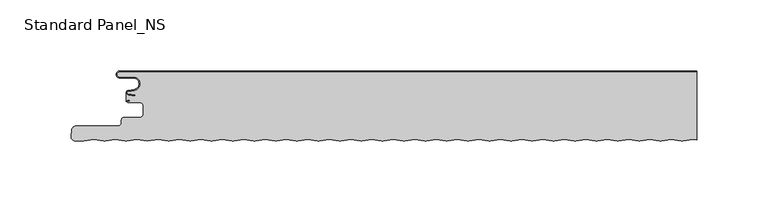
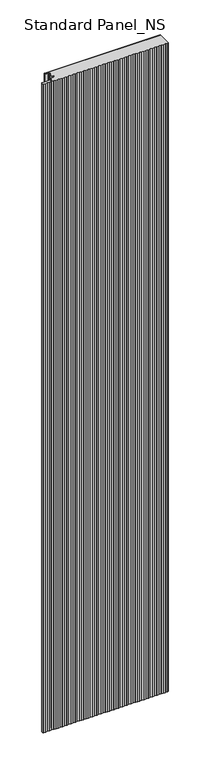
"""IFC4 building model written with IfcOpenShell, lengths in millimetres: proxy geometry, Standard Panel_NS."""

from ifc_helpers import new_model, si_unit, point, frame, frame_2d, origin, origin_with_axes, place, context, project, spatial, polyline, circle_curve, trimmed, segment, composite_curve, outline, extrude, source, transform, mapped, element, save
from ifc_brep_helpers import plane_surface, cylinder_surface, revolved_surface, advanced_brep


def standard_panel_ns_7dc18669(model_context):
    return source(origin(), model_context, "Body", "SolidModel", [
        advanced_brep(
        [(200.9757266, -48.2307297, 2400.0), (203.9042607, -48.621201, 2400.0), (203.9042607, -0.8, 2400.0), (-201.4521486, -0.8, 2400.0), (-201.4521486, -4.2, 2400.0), (-191.9521486, -4.2, 2400.0), (-191.1186374, -13.7270772, 2400.0), (-195.4434036, -14.4896502, 2400.0), (-195.4169535, -16.0695512, 2400.0), (-190.4928263, -16.7687564, 2400.0), (-190.6052947, -17.5608112, 2400.0), (-195.529422, -16.8616061, 2400.0), (-196.9042607, -15.3042944, 2400.0), (-196.9042057, -21.327315, 2400.0), (-195.7650669, -20.5050506, 2400.0), (-194.3950677, -20.5050506, 2400.0), (-194.3950677, -21.3050506, 2400.0), (-195.7650669, -21.3050506, 2400.0), (-195.7650669, -22.1054413, 2400.0), (-188.0058392, -22.1054413, 2400.0), (-184.8560353, -25.2552452, 2400.0), (-184.8560353, -29.6552467, 2400.0), (-188.0058392, -32.8050506, 2400.0), (-198.67533, -32.8050506, 2400.0), (-200.2755261, -34.4052467, 2400.0), (-200.2755261, -36.4052467, 2400.0), (-202.67533, -38.8050506, 2400.0), (-232.3045986, -38.8050506, 2400.0), (-235.1937635, -41.4524611, 2400.0), (-235.6090836, -46.199151, 2400.0), (-232.8591806, -49.2001678, 2400.0), (-226.8685673, -49.2001678, 2400.0), (-219.5977818, -48.2307297, 2400.0), (-212.564124, -49.1685508, 2400.0), (-211.6109571, -49.1685508, 2400.0), (-204.5772994, -48.2307297, 2400.0), (-197.5436416, -49.1685508, 2400.0), (-196.5904747, -49.1685508, 2400.0), (-189.5568169, -48.2307297, 2400.0), (-182.0465757, -49.2320952, 2400.0), (-174.5363345, -48.2307297, 2400.0), (-167.5026767, -49.1685508, 2400.0), (-166.5495098, -49.1685508, 2400.0), (-159.515852, -48.2307297, 2400.0), (-152.4821943, -49.1685508, 2400.0), (-151.5290274, -49.1685508, 2400.0), (-144.4953696, -48.2307297, 2400.0), (-137.4617118, -49.1685508, 2400.0), (-136.5085449, -49.1685508, 2400.0), (-129.4748871, -48.2307297, 2400.0), (-122.4412294, -49.1685508, 2400.0), (-121.4880625, -49.1685508, 2400.0), (-114.4544047, -48.2307297, 2400.0), (-107.4207469, -49.1685508, 2400.0), (-106.46758, -49.1685508, 2400.0), (-99.4339222, -48.2307297, 2400.0), (-92.4002645, -49.1685508, 2400.0), (-91.4470976, -49.1685508, 2400.0), (-84.4134398, -48.2307297, 2400.0), (-77.379782, -49.1685508, 2400.0), (-76.4266151, -49.1685508, 2400.0), (-69.3929573, -48.2307297, 2400.0), (-62.3592996, -49.1685508, 2400.0), (-61.4061327, -49.1685508, 2400.0), (-54.3724749, -48.2307297, 2400.0), (-47.3388172, -49.1685508, 2400.0), (-46.3856502, -49.1685508, 2400.0), (-39.3519925, -48.2307297, 2400.0), (-32.3183347, -49.1685508, 2400.0), (-31.3651678, -49.1685508, 2400.0), (-24.33151, -48.2307297, 2400.0), (-17.2978523, -49.1685508, 2400.0), (-16.3446854, -49.1685508, 2400.0), (-9.3110276, -48.2307297, 2400.0), (-2.2773698, -49.1685508, 2400.0), (-1.3242029, -49.1685508, 2400.0), (5.7094549, -48.2307297, 2400.0), (12.7431126, -49.1685508, 2400.0), (13.6962795, -49.1685508, 2400.0), (20.7299373, -48.2307297, 2400.0), (27.7635951, -49.1685508, 2400.0), (28.716762, -49.1685508, 2400.0), (35.7504198, -48.2307297, 2400.0), (42.7840775, -49.1685508, 2400.0), (43.7372444, -49.1685508, 2400.0), (50.7709022, -48.2307297, 2400.0), (57.80456, -49.1685508, 2400.0), (58.7577269, -49.1685508, 2400.0), (65.7913846, -48.2307297, 2400.0), (72.8250424, -49.1685508, 2400.0), (73.7782093, -49.1685508, 2400.0), (80.8118671, -48.2307297, 2400.0), (87.8455248, -49.1685508, 2400.0), (88.7986918, -49.1685508, 2400.0), (95.8323495, -48.2307297, 2400.0), (102.8660073, -49.1685508, 2400.0), (103.8191742, -49.1685508, 2400.0), (110.852832, -48.2307297, 2400.0), (117.8864897, -49.1685508, 2400.0), (118.8396566, -49.1685508, 2400.0), (125.8733144, -48.2307297, 2400.0), (132.9069722, -49.1685508, 2400.0), (133.8601391, -49.1685508, 2400.0), (140.8937969, -48.2307297, 2400.0), (147.9274546, -49.1685508, 2400.0), (148.8806215, -49.1685508, 2400.0), (155.9142793, -48.2307297, 2400.0), (162.9479371, -49.1685508, 2400.0), (163.901104, -49.1685508, 2400.0), (170.9347618, -48.2307297, 2400.0), (177.9684195, -49.1685508, 2400.0), (178.9215864, -49.1685508, 2400.0), (185.9552442, -48.2307297, 2400.0), (192.9889019, -49.1685508, 2400.0), (193.9420689, -49.1685508, 2400.0), (-196.9042057, -21.327315, 0.0), (-196.9042607, -15.3042944, 0.0), (-195.529422, -16.8616061, 0.0), (-190.6052947, -17.5608112, 0.0), (-190.4928263, -16.7687564, 0.0), (-195.4169535, -16.0695512, 0.0), (-195.4434036, -14.4896502, 0.0), (-191.1186374, -13.7270772, 0.0), (-191.9521486, -4.2, 0.0), (-201.4521486, -4.2, 0.0), (-201.4521486, -0.8, 0.0), (203.9042607, -0.8, 0.0), (203.9042607, -48.621201, 0.0), (200.9757266, -48.2307297, 0.0), (193.9420689, -49.1685508, 0.0), (192.9889019, -49.1685508, 0.0), (185.9552442, -48.2307297, 0.0), (178.9215864, -49.1685508, 0.0), (177.9684195, -49.1685508, 0.0), (170.9347618, -48.2307297, 0.0), (163.901104, -49.1685508, 0.0), (162.9479371, -49.1685508, 0.0), (155.9142793, -48.2307297, 0.0), (148.8806215, -49.1685508, 0.0), (147.9274546, -49.1685508, 0.0), (140.8937969, -48.2307297, 0.0), (133.8601391, -49.1685508, 0.0), (132.9069722, -49.1685508, 0.0), (125.8733144, -48.2307297, 0.0), (118.8396566, -49.1685508, 0.0), (117.8864897, -49.1685508, 0.0), (110.852832, -48.2307297, 0.0), (103.8191742, -49.1685508, 0.0), (102.8660073, -49.1685508, 0.0), (95.8323495, -48.2307297, 0.0), (88.7986918, -49.1685508, 0.0), (87.8455248, -49.1685508, 0.0), (80.8118671, -48.2307297, 0.0), (73.7782093, -49.1685508, 0.0), (72.8250424, -49.1685508, 0.0), (65.7913846, -48.2307297, 0.0), (58.7577269, -49.1685508, 0.0), (57.80456, -49.1685508, 0.0), (50.7709022, -48.2307297, 0.0), (43.7372444, -49.1685508, 0.0), (42.7840775, -49.1685508, 0.0), (35.7504198, -48.2307297, 0.0), (28.716762, -49.1685508, 0.0), (27.7635951, -49.1685508, 0.0), (20.7299373, -48.2307297, 0.0), (13.6962795, -49.1685508, 0.0), (12.7431126, -49.1685508, 0.0), (5.7094549, -48.2307297, 0.0), (-1.3242029, -49.1685508, 0.0), (-2.2773698, -49.1685508, 0.0), (-9.3110276, -48.2307297, 0.0), (-16.3446854, -49.1685508, 0.0), (-17.2978523, -49.1685508, 0.0), (-24.33151, -48.2307297, 0.0), (-31.3651678, -49.1685508, 0.0), (-32.3183347, -49.1685508, 0.0), (-39.3519925, -48.2307297, 0.0), (-46.3856502, -49.1685508, 0.0), (-47.3388172, -49.1685508, 0.0), (-54.3724749, -48.2307297, 0.0), (-61.4061327, -49.1685508, 0.0), (-62.3592996, -49.1685508, 0.0), (-69.3929573, -48.2307297, 0.0), (-76.4266151, -49.1685508, 0.0), (-77.379782, -49.1685508, 0.0), (-84.4134398, -48.2307297, 0.0), (-91.4470976, -49.1685508, 0.0), (-92.4002645, -49.1685508, 0.0), (-99.4339222, -48.2307297, 0.0), (-106.46758, -49.1685508, 0.0), (-107.4207469, -49.1685508, 0.0), (-114.4544047, -48.2307297, 0.0), (-121.4880625, -49.1685508, 0.0), (-122.4412294, -49.1685508, 0.0), (-129.4748871, -48.2307297, 0.0), (-136.5085449, -49.1685508, 0.0), (-137.4617118, -49.1685508, 0.0), (-144.4953696, -48.2307297, 0.0), (-151.5290274, -49.1685508, 0.0), (-152.4821943, -49.1685508, 0.0), (-159.515852, -48.2307297, 0.0), (-166.5495098, -49.1685508, 0.0), (-167.5026767, -49.1685508, 0.0), (-174.5363345, -48.2307297, 0.0), (-182.0465757, -49.2320952, 0.0), (-189.5568169, -48.2307297, 0.0), (-196.5904747, -49.1685508, 0.0), (-197.5436416, -49.1685508, 0.0), (-204.5772994, -48.2307297, 0.0), (-211.6109571, -49.1685508, 0.0), (-212.564124, -49.1685508, 0.0), (-219.5977818, -48.2307297, 0.0), (-226.8685673, -49.2001678, 0.0), (-232.8591806, -49.2001678, 0.0), (-235.6090836, -46.199151, 0.0), (-235.1937635, -41.4524611, 0.0), (-232.3045986, -38.8050506, 0.0), (-202.67533, -38.8050506, 0.0), (-200.2755261, -36.4052467, 0.0), (-200.2755261, -34.4052467, 0.0), (-198.67533, -32.8050506, 0.0), (-188.0058392, -32.8050506, 0.0), (-184.8560353, -29.6552467, 0.0), (-184.8560353, -25.2552452, 0.0), (-188.0058392, -22.1054412, 0.0), (-195.7650669, -22.1054413, 0.0), (-195.7650669, -21.3050506, 0.0), (-194.3950677, -21.3050506, 0.0), (-194.3950677, -20.5050506, 0.0), (-195.7650669, -20.5050506, 0.0)],
        [
            (0, 1),
            (1, 2),
            (2, 3),
            (3, 4, circle_curve(frame((-201.4521486, -2.5, 2400.0), z_axis=(0.0, 0.0, 1.0), x_axis=(2.9071553329994335e-12, 1.0, 0.0)), 1.7)),
            (4, 5),
            (5, 6, circle_curve(frame((-191.9521486, -9.0, 2400.0), z_axis=(0.0, 0.0, -1.0), x_axis=(1.863723325530669e-12, 1.0, 0.0)), 4.8)),
            (6, 7),
            (7, 8, circle_curve(frame((-195.3044851, -15.2774964, 2400.0), z_axis=(0.0, 0.0, 1.0), x_axis=(-0.17364817766971952, 0.9848077530117163, 0.0)), 0.8)),
            (8, 9),
            (9, 10),
            (10, 11),
            (11, 12, circle_curve(frame((-195.3044851, -15.2774964, 2400.0), z_axis=(0.0, 0.0, -1.0), x_axis=(-0.17364817766971952, 0.9848077530117163, 0.0)), 1.6)),
            (12, 13),
            (13, 14, circle_curve(frame((-195.7650669, -21.7052459, 2400.0), z_axis=(0.0, 0.0, -1.0), x_axis=(0.0, 1.0, 0.0)), 1.2001953)),
            (14, 15),
            (15, 16),
            (16, 17),
            (17, 18, circle_curve(frame((-195.7650669, -21.7052459, 2400.0), z_axis=(0.0, 0.0, 1.0), x_axis=(0.0, 1.0, 0.0)), 0.4001953)),
            (18, 19),
            (19, 20, circle_curve(frame((-188.0058392, -25.2552452, 2400.0), z_axis=(0.0, 0.0, -1.0), x_axis=(-8.279395323838365e-05, 0.9999999965725807, 0.0)), 3.1498039)),
            (20, 21),
            (21, 22, circle_curve(frame((-188.0058392, -29.6552467, 2400.0), z_axis=(0.0, 0.0, -1.0), x_axis=(0.9999999965725804, -8.27939563282879e-05, 0.0)), 3.1498039)),
            (22, 23),
            (23, 24, circle_curve(frame((-198.67533, -34.4052467, 2400.0), z_axis=(0.0, 0.0, 1.0), x_axis=(-8.105569453527465e-05, 0.9999999967149873, 0.0)), 1.6001961)),
            (24, 25),
            (25, 26, circle_curve(frame((-202.67533, -36.4052467, 2400.0), z_axis=(0.0, 0.0, -1.0), x_axis=(0.9999999926057013, -0.00012160837719944603, 0.0)), 2.3998039)),
            (26, 27),
            (27, 28, circle_curve(frame((-232.3045986, -41.7052538, 2400.0), z_axis=(0.0, 0.0, 1.0), x_axis=(-5.9816804069483736e-05, 0.9999999982109751, 0.0)), 2.9002032)),
            (28, 29),
            (29, 30, circle_curve(frame((-232.8591806, -46.4397587, 2400.0), z_axis=(0.0, 0.0, 1.0), x_axis=(-0.9961854900933174, 0.08726092669423802, 0.0)), 2.7604092)),
            (30, 31),
            (31, 32),
            (32, 33),
            (33, 34, circle_curve(frame((-212.0875406, -45.5941749, 2400.0), z_axis=(0.0, 0.0, 1.0), x_axis=(-0.1321637200962343, -0.9912279006819392, 0.0)), 3.6060082)),
            (34, 35),
            (35, 36),
            (36, 37, circle_curve(frame((-197.0670581, -45.5941749, 2400.0), z_axis=(0.0, 0.0, 1.0), x_axis=(-0.13216372008395674, -0.9912279006835761, 0.0)), 3.6060082)),
            (37, 38),
            (38, 39),
            (39, 40),
            (40, 41),
            (41, 42, circle_curve(frame((-167.0260933, -45.5941749, 2400.0), z_axis=(0.0, 0.0, 1.0), x_axis=(-0.13216372069094426, -0.9912279006026445, 0.0)), 3.6060082)),
            (42, 43),
            (43, 44),
            (44, 45, circle_curve(frame((-152.0056108, -45.5941749, 2400.0), z_axis=(0.0, 0.0, 1.0), x_axis=(-0.13216372067834242, -0.9912279006043248, 0.0)), 3.6060082)),
            (45, 46),
            (46, 47),
            (47, 48, circle_curve(frame((-136.9851284, -45.5941749, 2400.0), z_axis=(0.0, 0.0, 1.0), x_axis=(-0.13216372069083632, -0.991227900602659, 0.0)), 3.6060082)),
            (48, 49),
            (49, 50),
            (50, 51, circle_curve(frame((-121.9646459, -45.5941749, 2400.0), z_axis=(0.0, 0.0, 1.0), x_axis=(-0.13216372067834242, -0.9912279006043248, 0.0)), 3.6060082)),
            (51, 52),
            (52, 53),
            (53, 54, circle_curve(frame((-106.9441635, -45.5941749, 2400.0), z_axis=(0.0, 0.0, 1.0), x_axis=(-0.13216372069083587, -0.991227900602659, 0.0)), 3.6060082)),
            (54, 55),
            (55, 56),
            (56, 57, circle_curve(frame((-91.923681, -45.5941749, 2400.0), z_axis=(0.0, 0.0, 1.0), x_axis=(-0.1321637206909443, -0.9912279006026445, 0.0)), 3.6060082)),
            (57, 58),
            (58, 59),
            (59, 60, circle_curve(frame((-76.9031986, -45.5941749, 2400.0), z_axis=(0.0, 0.0, 1.0), x_axis=(-0.13216372067834242, -0.9912279006043248, 0.0)), 3.6060082)),
            (60, 61),
            (61, 62),
            (62, 63, circle_curve(frame((-61.8827161, -45.5941749, 2400.0), z_axis=(0.0, 0.0, 1.0), x_axis=(-0.13216372067834242, -0.9912279006043248, 0.0)), 3.6060082)),
            (63, 64),
            (64, 65),
            (65, 66, circle_curve(frame((-46.8622337, -45.5941749, 2400.0), z_axis=(0.0, 0.0, 1.0), x_axis=(-0.13216372067834242, -0.9912279006043249, 0.0)), 3.6060082)),
            (66, 67),
            (67, 68),
            (68, 69, circle_curve(frame((-31.8417513, -45.5941749, 2400.0), z_axis=(0.0, 0.0, 1.0), x_axis=(-0.13216372069083587, -0.991227900602659, 0.0)), 3.6060082)),
            (69, 70),
            (70, 71),
            (71, 72, circle_curve(frame((-16.8212688, -45.5941749, 2400.0), z_axis=(0.0, 0.0, 1.0), x_axis=(-0.13216372067834242, -0.9912279006043249, 0.0)), 3.6060082)),
            (72, 73),
            (73, 74),
            (74, 75, circle_curve(frame((-1.8007864, -45.5941749, 2400.0), z_axis=(0.0, 0.0, 1.0), x_axis=(-0.13216372067834242, -0.9912279006043249, 0.0)), 3.6060082)),
            (75, 76),
            (76, 77),
            (77, 78, circle_curve(frame((13.2196961, -45.5941749, 2400.0), z_axis=(0.0, 0.0, 1.0), x_axis=(-0.13216372067834242, -0.9912279006043248, 0.0)), 3.6060082)),
            (78, 79),
            (79, 80),
            (80, 81, circle_curve(frame((28.2401785, -45.5941749, 2400.0), z_axis=(0.0, 0.0, 1.0), x_axis=(-0.13216372069083632, -0.991227900602659, 0.0)), 3.6060082)),
            (81, 82),
            (82, 83),
            (83, 84, circle_curve(frame((43.260661, -45.5941749, 2400.0), z_axis=(0.0, 0.0, 1.0), x_axis=(-0.1321637206909443, -0.9912279006026445, 0.0)), 3.6060082)),
            (84, 85),
            (85, 86),
            (86, 87, circle_curve(frame((58.2811434, -45.5941749, 2400.0), z_axis=(0.0, 0.0, 1.0), x_axis=(-0.13216372067834242, -0.9912279006043249, 0.0)), 3.6060082)),
            (87, 88),
            (88, 89),
            (89, 90, circle_curve(frame((73.3016259, -45.5941749, 2400.0), z_axis=(0.0, 0.0, 1.0), x_axis=(-0.1321637206909443, -0.9912279006026445, 0.0)), 3.6060082)),
            (90, 91),
            (91, 92),
            (92, 93, circle_curve(frame((88.3221083, -45.5941749, 2400.0), z_axis=(0.0, 0.0, 1.0), x_axis=(-0.13216372067834242, -0.9912279006043248, 0.0)), 3.6060082)),
            (93, 94),
            (94, 95),
            (95, 96, circle_curve(frame((103.3425907, -45.5941749, 2400.0), z_axis=(0.0, 0.0, 1.0), x_axis=(-0.1321637206908359, -0.991227900602659, 0.0)), 3.6060082)),
            (96, 97),
            (97, 98),
            (98, 99, circle_curve(frame((118.3630732, -45.5941749, 2400.0), z_axis=(0.0, 0.0, 1.0), x_axis=(-0.13216372069094426, -0.9912279006026445, 0.0)), 3.6060082)),
            (99, 100),
            (100, 101),
            (101, 102, circle_curve(frame((133.3835556, -45.5941749, 2400.0), z_axis=(0.0, 0.0, 1.0), x_axis=(-0.13216372067834242, -0.9912279006043248, 0.0)), 3.6060082)),
            (102, 103),
            (103, 104),
            (104, 105, circle_curve(frame((148.4040381, -45.5941749, 2400.0), z_axis=(0.0, 0.0, 1.0), x_axis=(-0.1321637206909443, -0.9912279006026445, 0.0)), 3.6060082)),
            (105, 106),
            (106, 107),
            (107, 108, circle_curve(frame((163.4245205, -45.5941749, 2400.0), z_axis=(0.0, 0.0, 1.0), x_axis=(-0.1321637206908359, -0.991227900602659, 0.0)), 3.6060082)),
            (108, 109),
            (109, 110),
            (110, 111, circle_curve(frame((178.445003, -45.5941749, 2400.0), z_axis=(0.0, 0.0, 1.0), x_axis=(-0.13216372067834242, -0.9912279006043248, 0.0)), 3.6060082)),
            (111, 112),
            (112, 113),
            (113, 114, circle_curve(frame((193.4654854, -45.5941749, 2400.0), z_axis=(0.0, 0.0, 1.0), x_axis=(-0.1321637206908363, -0.991227900602659, 0.0)), 3.6060082)),
            (114, 0),
            (115, 116),
            (116, 117, circle_curve(frame((-195.3044851, -15.2774964, 0.0), z_axis=(0.0, 0.0, 1.0), x_axis=(-0.17364817766971952, 0.9848077530117163, 0.0)), 1.6)),
            (117, 118),
            (118, 119),
            (119, 120),
            (120, 121, circle_curve(frame((-195.3044851, -15.2774964, 0.0), z_axis=(0.0, 0.0, -1.0), x_axis=(-0.17364817766971952, 0.9848077530117163, 0.0)), 0.8)),
            (121, 122),
            (122, 123, circle_curve(frame((-191.9521486, -9.0, 0.0), z_axis=(0.0, 0.0, 1.0), x_axis=(1.863723325530669e-12, 1.0, 0.0)), 4.8)),
            (123, 124),
            (124, 125, circle_curve(frame((-201.4521486, -2.5, 0.0), z_axis=(0.0, 0.0, -1.0), x_axis=(2.9071553329994335e-12, 1.0, 0.0)), 1.7)),
            (125, 126),
            (126, 127),
            (127, 128),
            (128, 129),
            (129, 130, circle_curve(frame((193.4654854, -45.5941749, 0.0), z_axis=(0.0, 0.0, -1.0), x_axis=(-0.1321637206908363, -0.991227900602659, 0.0)), 3.6060082)),
            (130, 131),
            (131, 132),
            (132, 133, circle_curve(frame((178.445003, -45.5941749, 0.0), z_axis=(0.0, 0.0, -1.0), x_axis=(-0.13216372067834242, -0.9912279006043248, 0.0)), 3.6060082)),
            (133, 134),
            (134, 135),
            (135, 136, circle_curve(frame((163.4245205, -45.5941749, 0.0), z_axis=(0.0, 0.0, -1.0), x_axis=(-0.1321637206908359, -0.991227900602659, 0.0)), 3.6060082)),
            (136, 137),
            (137, 138),
            (138, 139, circle_curve(frame((148.4040381, -45.5941749, 0.0), z_axis=(0.0, 0.0, -1.0), x_axis=(-0.1321637206909443, -0.9912279006026445, 0.0)), 3.6060082)),
            (139, 140),
            (140, 141),
            (141, 142, circle_curve(frame((133.3835556, -45.5941749, 0.0), z_axis=(0.0, 0.0, -1.0), x_axis=(-0.13216372067834242, -0.9912279006043248, 0.0)), 3.6060082)),
            (142, 143),
            (143, 144),
            (144, 145, circle_curve(frame((118.3630732, -45.5941749, 0.0), z_axis=(0.0, 0.0, -1.0), x_axis=(-0.13216372069094426, -0.9912279006026445, 0.0)), 3.6060082)),
            (145, 146),
            (146, 147),
            (147, 148, circle_curve(frame((103.3425907, -45.5941749, 0.0), z_axis=(0.0, 0.0, -1.0), x_axis=(-0.1321637206908359, -0.991227900602659, 0.0)), 3.6060082)),
            (148, 149),
            (149, 150),
            (150, 151, circle_curve(frame((88.3221083, -45.5941749, 0.0), z_axis=(0.0, 0.0, -1.0), x_axis=(-0.13216372067834242, -0.9912279006043248, 0.0)), 3.6060082)),
            (151, 152),
            (152, 153),
            (153, 154, circle_curve(frame((73.3016259, -45.5941749, 0.0), z_axis=(0.0, 0.0, -1.0), x_axis=(-0.1321637206909443, -0.9912279006026445, 0.0)), 3.6060082)),
            (154, 155),
            (155, 156),
            (156, 157, circle_curve(frame((58.2811434, -45.5941749, 0.0), z_axis=(0.0, 0.0, -1.0), x_axis=(-0.13216372067834242, -0.9912279006043249, 0.0)), 3.6060082)),
            (157, 158),
            (158, 159),
            (159, 160, circle_curve(frame((43.260661, -45.5941749, 0.0), z_axis=(0.0, 0.0, -1.0), x_axis=(-0.1321637206909443, -0.9912279006026445, 0.0)), 3.6060082)),
            (160, 161),
            (161, 162),
            (162, 163, circle_curve(frame((28.2401785, -45.5941749, 0.0), z_axis=(0.0, 0.0, -1.0), x_axis=(-0.13216372069083632, -0.991227900602659, 0.0)), 3.6060082)),
            (163, 164),
            (164, 165),
            (165, 166, circle_curve(frame((13.2196961, -45.5941749, 0.0), z_axis=(0.0, 0.0, -1.0), x_axis=(-0.13216372067834242, -0.9912279006043248, 0.0)), 3.6060082)),
            (166, 167),
            (167, 168),
            (168, 169, circle_curve(frame((-1.8007864, -45.5941749, 0.0), z_axis=(0.0, 0.0, -1.0), x_axis=(-0.13216372067834242, -0.9912279006043249, 0.0)), 3.6060082)),
            (169, 170),
            (170, 171),
            (171, 172, circle_curve(frame((-16.8212688, -45.5941749, 0.0), z_axis=(0.0, 0.0, -1.0), x_axis=(-0.13216372067834242, -0.9912279006043249, 0.0)), 3.6060082)),
            (172, 173),
            (173, 174),
            (174, 175, circle_curve(frame((-31.8417513, -45.5941749, 0.0), z_axis=(0.0, 0.0, -1.0), x_axis=(-0.13216372069083587, -0.991227900602659, 0.0)), 3.6060082)),
            (175, 176),
            (176, 177),
            (177, 178, circle_curve(frame((-46.8622337, -45.5941749, 0.0), z_axis=(0.0, 0.0, -1.0), x_axis=(-0.13216372067834242, -0.9912279006043249, 0.0)), 3.6060082)),
            (178, 179),
            (179, 180),
            (180, 181, circle_curve(frame((-61.8827161, -45.5941749, 0.0), z_axis=(0.0, 0.0, -1.0), x_axis=(-0.13216372067834242, -0.9912279006043248, 0.0)), 3.6060082)),
            (181, 182),
            (182, 183),
            (183, 184, circle_curve(frame((-76.9031986, -45.5941749, 0.0), z_axis=(0.0, 0.0, -1.0), x_axis=(-0.13216372067834242, -0.9912279006043248, 0.0)), 3.6060082)),
            (184, 185),
            (185, 186),
            (186, 187, circle_curve(frame((-91.923681, -45.5941749, 0.0), z_axis=(0.0, 0.0, -1.0), x_axis=(-0.1321637206909443, -0.9912279006026445, 0.0)), 3.6060082)),
            (187, 188),
            (188, 189),
            (189, 190, circle_curve(frame((-106.9441635, -45.5941749, 0.0), z_axis=(0.0, 0.0, -1.0), x_axis=(-0.13216372069083587, -0.991227900602659, 0.0)), 3.6060082)),
            (190, 191),
            (191, 192),
            (192, 193, circle_curve(frame((-121.9646459, -45.5941749, 0.0), z_axis=(0.0, 0.0, -1.0), x_axis=(-0.13216372067834242, -0.9912279006043248, 0.0)), 3.6060082)),
            (193, 194),
            (194, 195),
            (195, 196, circle_curve(frame((-136.9851284, -45.5941749, 0.0), z_axis=(0.0, 0.0, -1.0), x_axis=(-0.13216372069083632, -0.991227900602659, 0.0)), 3.6060082)),
            (196, 197),
            (197, 198),
            (198, 199, circle_curve(frame((-152.0056108, -45.5941749, 0.0), z_axis=(0.0, 0.0, -1.0), x_axis=(-0.13216372067834242, -0.9912279006043248, 0.0)), 3.6060082)),
            (199, 200),
            (200, 201),
            (201, 202, circle_curve(frame((-167.0260933, -45.5941749, 0.0), z_axis=(0.0, 0.0, -1.0), x_axis=(-0.13216372069094426, -0.9912279006026445, 0.0)), 3.6060082)),
            (202, 203),
            (203, 204),
            (204, 205),
            (205, 206),
            (206, 207, circle_curve(frame((-197.0670581, -45.5941749, 0.0), z_axis=(0.0, 0.0, -1.0), x_axis=(-0.13216372008395674, -0.9912279006835761, 0.0)), 3.6060082)),
            (207, 208),
            (208, 209),
            (209, 210, circle_curve(frame((-212.0875406, -45.5941749, 0.0), z_axis=(0.0, 0.0, -1.0), x_axis=(-0.1321637200962343, -0.9912279006819392, 0.0)), 3.6060082)),
            (210, 211),
            (211, 212),
            (212, 213),
            (213, 214, circle_curve(frame((-232.8591806, -46.4397587, 0.0), z_axis=(0.0, 0.0, -1.0), x_axis=(-0.9961854900933174, 0.08726092669423802, 0.0)), 2.7604092)),
            (214, 215),
            (215, 216, circle_curve(frame((-232.3045986, -41.7052538, 0.0), z_axis=(0.0, 0.0, -1.0), x_axis=(-5.9816804069483736e-05, 0.9999999982109751, 0.0)), 2.9002032)),
            (216, 217),
            (217, 218, circle_curve(frame((-202.67533, -36.4052467, 0.0), z_axis=(0.0, 0.0, 1.0), x_axis=(0.9999999926057013, -0.00012160837719944603, 0.0)), 2.3998039)),
            (218, 219),
            (219, 220, circle_curve(frame((-198.67533, -34.4052467, 0.0), z_axis=(0.0, 0.0, -1.0), x_axis=(-8.105569453527465e-05, 0.9999999967149873, 0.0)), 1.6001961)),
            (220, 221),
            (221, 222, circle_curve(frame((-188.0058392, -29.6552467, 0.0), z_axis=(0.0, 0.0, 1.0), x_axis=(0.9999999965725804, -8.27939563282879e-05, 0.0)), 3.1498039)),
            (222, 223),
            (223, 224, circle_curve(frame((-188.0058392, -25.2552452, 0.0), z_axis=(0.0, 0.0, 1.0), x_axis=(-8.279395323838365e-05, 0.9999999965725807, 0.0)), 3.1498039)),
            (224, 225),
            (225, 226, circle_curve(frame((-195.7650669, -21.7052459, 0.0), z_axis=(0.0, 0.0, -1.0), x_axis=(0.0, 1.0, 0.0)), 0.4001953)),
            (226, 227),
            (227, 228),
            (228, 229),
            (229, 115, circle_curve(frame((-195.7650669, -21.7052459, 0.0), z_axis=(0.0, 0.0, 1.0), x_axis=(0.0, 1.0, 0.0)), 1.2001953)),
            (31, 212),
            (211, 32),
            (28, 215),
            (214, 29),
            (25, 218),
            (217, 26),
            (24, 219),
            (21, 222),
            (221, 22),
            (20, 223),
            (19, 224),
            (17, 226),
            (225, 18),
            (16, 227),
            (15, 228),
            (11, 117),
            (116, 12),
            (10, 118),
            (9, 119),
            (8, 120),
            (7, 121),
            (6, 122),
            (5, 123),
            (4, 124),
            (3, 125),
            (2, 126),
            (1, 127),
            (110, 133),
            (132, 111),
            (131, 112),
            (130, 113),
            (129, 114),
            (0, 128),
            (109, 134),
            (115, 13),
            (108, 135),
            (107, 136),
            (106, 137),
            (105, 138),
            (104, 139),
            (103, 140),
            (102, 141),
            (101, 142),
            (100, 143),
            (99, 144),
            (98, 145),
            (97, 146),
            (96, 147),
            (95, 148),
            (94, 149),
            (93, 150),
            (92, 151),
            (91, 152),
            (90, 153),
            (89, 154),
            (88, 155),
            (87, 156),
            (86, 157),
            (85, 158),
            (84, 159),
            (83, 160),
            (82, 161),
            (81, 162),
            (80, 163),
            (79, 164),
            (78, 165),
            (77, 166),
            (76, 167),
            (75, 168),
            (74, 169),
            (73, 170),
            (72, 171),
            (71, 172),
            (70, 173),
            (69, 174),
            (68, 175),
            (67, 176),
            (66, 177),
            (65, 178),
            (64, 179),
            (63, 180),
            (62, 181),
            (61, 182),
            (60, 183),
            (59, 184),
            (58, 185),
            (57, 186),
            (56, 187),
            (55, 188),
            (54, 189),
            (53, 190),
            (52, 191),
            (51, 192),
            (50, 193),
            (49, 194),
            (48, 195),
            (47, 196),
            (46, 197),
            (45, 198),
            (44, 199),
            (43, 200),
            (42, 201),
            (41, 202),
            (40, 203),
            (39, 204),
            (38, 205),
            (37, 206),
            (36, 207),
            (35, 208),
            (34, 209),
            (33, 210),
            (30, 213),
            (27, 216),
            (23, 220),
            (14, 229),
        ],
        [
            plane_surface(frame((316.0957393, -49.2, 2400.0), z_axis=(0.0, 0.0, 1.0), x_axis=(0.0, -1.0, 0.0))),
            plane_surface(frame((316.0957393, -49.2, 0.0), z_axis=(0.0, 0.0, -1.0), x_axis=(0.0, -1.0, 0.0))),
            plane_surface(frame((-219.5977818, -48.2307297, 2400.0), z_axis=(0.13216372070690546, -0.9912279006005164, 0.0), x_axis=(0.0, 0.0, -1.0))),
            plane_surface(frame((-235.6090836, -46.199151, 2400.0), z_axis=(-0.9961939956053468, 0.08716377183127401, 0.0), x_axis=(0.0, 0.0, -1.0))),
            revolved_surface(polyline([(-200.27552611774487, -36.40553853625787, 0.0), (-200.27552611774487, -36.40553853625787, 2400.0)]), (-202.67533, -36.4052467, 2400.0), (0.0, 0.0, -1.0)),
            plane_surface(frame((-200.2755261, -36.4052467, 2400.0), z_axis=(-1.0, 0.0, 0.0), x_axis=(0.0, 0.0, -1.0))),
            revolved_surface(polyline([(-184.8560353107957, -29.655507484726538, 0.0), (-184.8560353107957, -29.655507484726538, 2400.0)]), (-188.0058392, -29.6552467, 2400.0), (0.0, 0.0, -1.0)),
            plane_surface(frame((-184.8560353, -29.6552467, 2400.0), z_axis=(-1.0, 0.0, 0.0), x_axis=(0.0, 0.0, -1.0))),
            revolved_surface(polyline([(-188.0060999847168, -22.1054413107957, 0.0), (-188.0060999847168, -22.1054413107957, 2400.0)]), (-188.0058392, -25.2552452, 2400.0), (0.0, 0.0, -1.0)),
            cylinder_surface(frame((-195.7650669, -21.7052459, 2400.0), z_axis=(0.0, 0.0, 1.0), x_axis=(0.0, 1.0, 0.0)), 0.4001953),
            plane_surface(frame((-195.7650669, -21.3050506, 2400.0), z_axis=(0.0, 1.0, 0.0), x_axis=(0.0, 0.0, -1.0))),
            plane_surface(frame((-194.3950677, -21.3050506, 2400.0), z_axis=(-1.0, 0.0, 0.0), x_axis=(0.0, 0.0, -1.0))),
            revolved_surface(polyline([(-195.58232218427153, -13.701803995181255, -9.094947017729282e-13), (-195.58232218427153, -13.701803995181255, 2400.0)]), (-195.3044851, -15.2774964, 2400.0), (0.0, 0.0, -1.0000000000000002)),
            plane_surface(frame((-195.529422, -16.8616061, 2400.0), z_axis=(0.14058552792120363, 0.9900685376978287, 0.0), x_axis=(0.0, 0.0, -1.0))),
            plane_surface(frame((-190.6052947, -17.5608112, 2400.0), z_axis=(-0.9900685376978338, 0.14058552792116694, 0.0), x_axis=(0.0, 0.0, -1.0))),
            plane_surface(frame((-190.4928263, -16.7687564, 2400.0), z_axis=(-0.1405855279212039, -0.9900685376978285, 0.0), x_axis=(0.0, 0.0, -1.0))),
            cylinder_surface(frame((-195.3044851, -15.2774964, 2400.0), z_axis=(0.0, 0.0, 1.0000000000000002), x_axis=(-0.17364817766971952, 0.9848077530117163, 0.0)), 0.8),
            plane_surface(frame((-195.4434036, -14.4896502, 2400.0), z_axis=(-0.1736481776670618, 0.9848077530121849, 0.0), x_axis=(0.0, 0.0, -1.0))),
            revolved_surface(polyline([(-191.95214859999103, -4.2, 0.0), (-191.95214859999103, -4.2, 2400.0)]), (-191.9521486, -9.0, 2400.0), (0.0, 0.0, -1.0)),
            plane_surface(frame((-191.9521486, -4.2, 2400.0), z_axis=(0.0, -1.0, 0.0), x_axis=(0.0, 0.0, -1.0))),
            cylinder_surface(frame((-201.4521486, -2.5, 2400.0), z_axis=(0.0, 0.0, 1.0), x_axis=(2.9071553329994335e-12, 1.0, 0.0)), 1.7),
            plane_surface(frame((-201.4521486, -0.8, 2400.0), z_axis=(0.0, 1.0, 0.0), x_axis=(0.0, 0.0, -1.0))),
            plane_surface(frame((203.9042607, -52.0, 2400.0), z_axis=(1.0, 0.0, 0.0), x_axis=(0.0, 0.0, -1.0))),
            cylinder_surface(frame((178.445003, -45.5941749, 2400.0), z_axis=(0.0, 0.0, 1.0), x_axis=(-0.13216372067834242, -0.9912279006043248, 0.0)), 3.6060082),
            plane_surface(frame((185.9552442, -48.2307297, 2400.0), z_axis=(0.13216372006695326, -0.9912279006858433, 0.0), x_axis=(0.0, 0.0, -1.0))),
            plane_surface(frame((192.9889019, -49.1685508, 2400.0), z_axis=(-0.13216372070690166, -0.9912279006005169, 0.0), x_axis=(0.0, 0.0, -1.0))),
            cylinder_surface(frame((193.4654854, -45.5941749, 2400.0), z_axis=(0.0, 0.0, 1.0000000000000002), x_axis=(-0.1321637206908363, -0.991227900602659, 0.0)), 3.6060082),
            plane_surface(frame((208.0093844, -49.1685508, 2400.0), z_axis=(-0.1321637207089453, -0.9912279006002443, 0.0), x_axis=(0.0, 0.0, -1.0))),
            plane_surface(frame((200.9757266, -48.2307297, 2400.0), z_axis=(0.1321637200687261, -0.991227900685607, 0.0), x_axis=(0.0, 0.0, -1.0))),
            plane_surface(frame((177.9684195, -49.1685508, 2400.0), z_axis=(-0.13216372070690136, -0.9912279006005169, 0.0), x_axis=(0.0, 0.0, -1.0))),
            plane_surface(frame((-196.9042057, -21.327315, 2400.0), z_axis=(-1.0, 0.0, 0.0), x_axis=(0.0, 0.0, -1.0))),
            plane_surface(frame((170.9347618, -48.2307297, 2400.0), z_axis=(0.13216372006613503, -0.9912279006859525, 0.0), x_axis=(0.0, 0.0, -1.0))),
            cylinder_surface(frame((163.4245205, -45.5941749, 2400.0), z_axis=(0.0, 0.0, 1.0), x_axis=(-0.1321637206908359, -0.991227900602659, 0.0)), 3.6060082),
            plane_surface(frame((162.9479371, -49.1685508, 2400.0), z_axis=(-0.1321637207063546, -0.9912279006005899, 0.0), x_axis=(0.0, 0.0, -1.0))),
            plane_surface(frame((155.9142793, -48.2307297, 2400.0), z_axis=(0.13216372006695185, -0.9912279006858435, 0.0), x_axis=(0.0, 0.0, -1.0))),
            cylinder_surface(frame((148.4040381, -45.5941749, 2400.0), z_axis=(0.0, 0.0, 1.0000000000000002), x_axis=(-0.1321637206909443, -0.9912279006026445, 0.0)), 3.6060082),
            plane_surface(frame((147.9274546, -49.1685508, 2400.0), z_axis=(-0.1321637207063565, -0.9912279006005896, 0.0), x_axis=(0.0, 0.0, -1.0))),
            plane_surface(frame((140.8937969, -48.2307297, 2400.0), z_axis=(0.13216372006749733, -0.9912279006857708, 0.0), x_axis=(0.0, 0.0, -1.0))),
            cylinder_surface(frame((133.3835556, -45.5941749, 2400.0), z_axis=(0.0, 0.0, 1.0), x_axis=(-0.13216372067834242, -0.9912279006043248, 0.0)), 3.6060082),
            plane_surface(frame((132.9069722, -49.1685508, 2400.0), z_axis=(-0.13216372070894564, -0.9912279006002443, 0.0), x_axis=(0.0, 0.0, -1.0))),
            plane_surface(frame((125.8733144, -48.2307297, 2400.0), z_axis=(0.13216372006845428, -0.9912279006856431, 0.0), x_axis=(0.0, 0.0, -1.0))),
            cylinder_surface(frame((118.3630732, -45.5941749, 2400.0), z_axis=(0.0, 0.0, 1.0000000000000002), x_axis=(-0.13216372069094426, -0.9912279006026445, 0.0)), 3.6060082),
            plane_surface(frame((117.8864897, -49.1685508, 2400.0), z_axis=(-0.1321637207063565, -0.9912279006005896, 0.0), x_axis=(0.0, 0.0, -1.0))),
            plane_surface(frame((110.852832, -48.2307297, 2400.0), z_axis=(0.13216372006668003, -0.9912279006858797, 0.0), x_axis=(0.0, 0.0, -1.0))),
            cylinder_surface(frame((103.3425907, -45.5941749, 2400.0), z_axis=(0.0, 0.0, 1.0), x_axis=(-0.1321637206908359, -0.991227900602659, 0.0)), 3.6060082),
            plane_surface(frame((102.8660073, -49.1685508, 2400.0), z_axis=(-0.1321637207063546, -0.9912279006005899, 0.0), x_axis=(0.0, 0.0, -1.0))),
            plane_surface(frame((95.8323495, -48.2307297, 2400.0), z_axis=(0.132163720066952, -0.9912279006858435, 0.0), x_axis=(0.0, 0.0, -1.0))),
            cylinder_surface(frame((88.3221083, -45.5941749, 2400.0), z_axis=(0.0, 0.0, 1.0), x_axis=(-0.13216372067834242, -0.9912279006043248, 0.0)), 3.6060082),
            plane_surface(frame((87.8455248, -49.1685508, 2400.0), z_axis=(-0.1321637207068996, -0.9912279006005172, 0.0), x_axis=(0.0, 0.0, -1.0))),
            plane_surface(frame((80.8118671, -48.2307297, 2400.0), z_axis=(0.13216372006640953, -0.9912279006859158, 0.0), x_axis=(0.0, 0.0, -1.0))),
            cylinder_surface(frame((73.3016259, -45.5941749, 2400.0), z_axis=(0.0, 0.0, 1.0000000000000002), x_axis=(-0.1321637206909443, -0.9912279006026445, 0.0)), 3.6060082),
            plane_surface(frame((72.8250424, -49.1685508, 2400.0), z_axis=(-0.13216372070744717, -0.9912279006004442, 0.0), x_axis=(0.0, 0.0, -1.0))),
            plane_surface(frame((65.7913846, -48.2307297, 2400.0), z_axis=(0.1321637200664073, -0.9912279006859162, 0.0), x_axis=(0.0, 0.0, -1.0))),
            cylinder_surface(frame((58.2811434, -45.5941749, 2400.0), z_axis=(0.0, 0.0, 1.0000000000000002), x_axis=(-0.13216372067834242, -0.9912279006043249, 0.0)), 3.6060082),
            plane_surface(frame((57.80456, -49.1685508, 2400.0), z_axis=(-0.1321637207082644, -0.9912279006003352, 0.0), x_axis=(0.0, 0.0, -1.0))),
            plane_surface(frame((50.7709022, -48.2307297, 2400.0), z_axis=(0.13216372006899724, -0.9912279006855708, 0.0), x_axis=(0.0, 0.0, -1.0))),
            cylinder_surface(frame((43.260661, -45.5941749, 2400.0), z_axis=(0.0, 0.0, 1.0000000000000002), x_axis=(-0.1321637206909443, -0.9912279006026445, 0.0)), 3.6060082),
            plane_surface(frame((42.7840775, -49.1685508, 2400.0), z_axis=(-0.1321637207069012, -0.9912279006005169, 0.0), x_axis=(0.0, 0.0, -1.0))),
            plane_surface(frame((35.7504198, -48.2307297, 2400.0), z_axis=(0.13216372006695298, -0.9912279006858434, 0.0), x_axis=(0.0, 0.0, -1.0))),
            cylinder_surface(frame((28.2401785, -45.5941749, 2400.0), z_axis=(0.0, 0.0, 1.0000000000000002), x_axis=(-0.13216372069083632, -0.991227900602659, 0.0)), 3.6060082),
            plane_surface(frame((27.7635951, -49.1685508, 2400.0), z_axis=(-0.1321637207069012, -0.9912279006005169, 0.0), x_axis=(0.0, 0.0, -1.0))),
            plane_surface(frame((20.7299373, -48.2307297, 2400.0), z_axis=(0.13216372006695265, -0.9912279006858434, 0.0), x_axis=(0.0, 0.0, -1.0))),
            cylinder_surface(frame((13.2196961, -45.5941749, 2400.0), z_axis=(0.0, 0.0, 1.0), x_axis=(-0.13216372067834242, -0.9912279006043248, 0.0)), 3.6060082),
            plane_surface(frame((12.7431126, -49.1685508, 2400.0), z_axis=(-0.132163720706356, -0.9912279006005896, 0.0), x_axis=(0.0, 0.0, -1.0))),
            plane_surface(frame((5.7094549, -48.2307297, 2400.0), z_axis=(0.13216372006695326, -0.9912279006858433, 0.0), x_axis=(0.0, 0.0, -1.0))),
            cylinder_surface(frame((-1.8007864, -45.5941749, 2400.0), z_axis=(0.0, 0.0, 1.0000000000000002), x_axis=(-0.13216372067834242, -0.9912279006043249, 0.0)), 3.6060082),
            plane_surface(frame((-2.2773698, -49.1685508, 2400.0), z_axis=(-0.13216372070840093, -0.991227900600317, 0.0), x_axis=(0.0, 0.0, -1.0))),
            plane_surface(frame((-9.3110276, -48.2307297, 2400.0), z_axis=(0.1321637200674967, -0.9912279006857709, 0.0), x_axis=(0.0, 0.0, -1.0))),
            cylinder_surface(frame((-16.8212688, -45.5941749, 2400.0), z_axis=(0.0, 0.0, 1.0000000000000002), x_axis=(-0.13216372067834242, -0.9912279006043249, 0.0)), 3.6060082),
            plane_surface(frame((-17.2978523, -49.1685508, 2400.0), z_axis=(-0.13216372070840093, -0.991227900600317, 0.0), x_axis=(0.0, 0.0, -1.0))),
            plane_surface(frame((-24.33151, -48.2307297, 2400.0), z_axis=(0.13216372006954255, -0.991227900685498, 0.0), x_axis=(0.0, 0.0, -1.0))),
            cylinder_surface(frame((-31.8417513, -45.5941749, 2400.0), z_axis=(0.0, 0.0, 1.0), x_axis=(-0.13216372069083587, -0.991227900602659, 0.0)), 3.6060082),
            plane_surface(frame((-32.3183347, -49.1685508, 2400.0), z_axis=(-0.13216372070744586, -0.9912279006004443, 0.0), x_axis=(0.0, 0.0, -1.0))),
            plane_surface(frame((-39.3519925, -48.2307297, 2400.0), z_axis=(0.1321637200664073, -0.9912279006859162, 0.0), x_axis=(0.0, 0.0, -1.0))),
            cylinder_surface(frame((-46.8622337, -45.5941749, 2400.0), z_axis=(0.0, 0.0, 1.0000000000000002), x_axis=(-0.13216372067834242, -0.9912279006043249, 0.0)), 3.6060082),
            plane_surface(frame((-47.3388172, -49.1685508, 2400.0), z_axis=(-0.13216372070635665, -0.9912279006005896, 0.0), x_axis=(0.0, 0.0, -1.0))),
            plane_surface(frame((-54.3724749, -48.2307297, 2400.0), z_axis=(0.1321637200649066, -0.9912279006861162, 0.0), x_axis=(0.0, 0.0, -1.0))),
            cylinder_surface(frame((-61.8827161, -45.5941749, 2400.0), z_axis=(0.0, 0.0, 1.0), x_axis=(-0.13216372067834242, -0.9912279006043248, 0.0)), 3.6060082),
            plane_surface(frame((-62.3592996, -49.1685508, 2400.0), z_axis=(-0.13216372070690374, -0.9912279006005166, 0.0), x_axis=(0.0, 0.0, -1.0))),
            plane_surface(frame((-69.3929573, -48.2307297, 2400.0), z_axis=(0.13216372006695326, -0.9912279006858433, 0.0), x_axis=(0.0, 0.0, -1.0))),
            cylinder_surface(frame((-76.9031986, -45.5941749, 2400.0), z_axis=(0.0, 0.0, 1.0), x_axis=(-0.13216372067834242, -0.9912279006043248, 0.0)), 3.6060082),
            plane_surface(frame((-77.379782, -49.1685508, 2400.0), z_axis=(-0.13216372070839968, -0.9912279006003172, 0.0), x_axis=(0.0, 0.0, -1.0))),
            plane_surface(frame((-84.4134398, -48.2307297, 2400.0), z_axis=(0.1321637200689985, -0.9912279006855707, 0.0), x_axis=(0.0, 0.0, -1.0))),
            cylinder_surface(frame((-91.923681, -45.5941749, 2400.0), z_axis=(0.0, 0.0, 1.0000000000000002), x_axis=(-0.1321637206909443, -0.9912279006026445, 0.0)), 3.6060082),
            plane_surface(frame((-92.4002645, -49.1685508, 2400.0), z_axis=(-0.13216372070894594, -0.9912279006002443, 0.0), x_axis=(0.0, 0.0, -1.0))),
            plane_surface(frame((-99.4339222, -48.2307297, 2400.0), z_axis=(0.13216372006899896, -0.9912279006855705, 0.0), x_axis=(0.0, 0.0, -1.0))),
            cylinder_surface(frame((-106.9441635, -45.5941749, 2400.0), z_axis=(0.0, 0.0, 1.0), x_axis=(-0.13216372069083587, -0.991227900602659, 0.0)), 3.6060082),
            plane_surface(frame((-107.4207469, -49.1685508, 2400.0), z_axis=(-0.13216372070635285, -0.9912279006005901, 0.0), x_axis=(0.0, 0.0, -1.0))),
            plane_surface(frame((-114.4544047, -48.2307297, 2400.0), z_axis=(0.1321637200669509, -0.9912279006858437, 0.0), x_axis=(0.0, 0.0, -1.0))),
            cylinder_surface(frame((-121.9646459, -45.5941749, 2400.0), z_axis=(0.0, 0.0, 1.0), x_axis=(-0.13216372067834242, -0.9912279006043248, 0.0)), 3.6060082),
            plane_surface(frame((-122.4412294, -49.1685508, 2400.0), z_axis=(-0.13216372070635302, -0.9912279006005901, 0.0), x_axis=(0.0, 0.0, -1.0))),
            plane_surface(frame((-129.4748871, -48.2307297, 2400.0), z_axis=(0.1321637200674959, -0.9912279006857709, 0.0), x_axis=(0.0, 0.0, -1.0))),
            cylinder_surface(frame((-136.9851284, -45.5941749, 2400.0), z_axis=(0.0, 0.0, 1.0000000000000002), x_axis=(-0.13216372069083632, -0.991227900602659, 0.0)), 3.6060082),
            plane_surface(frame((-137.4617118, -49.1685508, 2400.0), z_axis=(-0.1321637207068988, -0.9912279006005172, 0.0), x_axis=(0.0, 0.0, -1.0))),
            plane_surface(frame((-144.4953696, -48.2307297, 2400.0), z_axis=(0.13216372006640492, -0.9912279006859165, 0.0), x_axis=(0.0, 0.0, -1.0))),
            cylinder_surface(frame((-152.0056108, -45.5941749, 2400.0), z_axis=(0.0, 0.0, 1.0), x_axis=(-0.13216372067834242, -0.9912279006043248, 0.0)), 3.6060082),
            plane_surface(frame((-152.4821943, -49.1685508, 2400.0), z_axis=(-0.13216372070894564, -0.9912279006002443, 0.0), x_axis=(0.0, 0.0, -1.0))),
            plane_surface(frame((-159.515852, -48.2307297, 2400.0), z_axis=(0.1321637200684489, -0.9912279006856439, 0.0), x_axis=(0.0, 0.0, -1.0))),
            cylinder_surface(frame((-167.0260933, -45.5941749, 2400.0), z_axis=(0.0, 0.0, 1.0000000000000002), x_axis=(-0.13216372069094426, -0.9912279006026445, 0.0)), 3.6060082),
            plane_surface(frame((-167.5026767, -49.1685508, 2400.0), z_axis=(-0.13216372070689816, -0.9912279006005174, 0.0), x_axis=(0.0, 0.0, -1.0))),
            plane_surface(frame((-174.5363345, -48.2307297, 2400.0), z_axis=(0.13216372006695146, -0.9912279006858435, 0.0), x_axis=(0.0, 0.0, -1.0))),
            plane_surface(frame((-182.0465757, -49.2320952, 2400.0), z_axis=(-0.13216372006694388, -0.9912279006858447, 0.0), x_axis=(0.0, 0.0, -1.0))),
            plane_surface(frame((-189.5568169, -48.2307297, 2400.0), z_axis=(0.13216372070690524, -0.9912279006005164, 0.0), x_axis=(0.0, 0.0, -1.0))),
            cylinder_surface(frame((-197.0670581, -45.5941749, 2400.0), z_axis=(0.0, 0.0, 1.0), x_axis=(-0.13216372008395674, -0.9912279006835761, 0.0)), 3.6060082),
            plane_surface(frame((-197.5436416, -49.1685508, 2400.0), z_axis=(-0.1321637200684442, -0.9912279006856446, 0.0), x_axis=(0.0, 0.0, -1.0))),
            plane_surface(frame((-204.5772994, -48.2307297, 2400.0), z_axis=(0.1321637207094944, -0.9912279006001712, 0.0), x_axis=(0.0, 0.0, -1.0))),
            cylinder_surface(frame((-212.0875406, -45.5941749, 2400.0), z_axis=(0.0, 0.0, 1.0), x_axis=(-0.1321637200962343, -0.9912279006819392, 0.0)), 3.6060082),
            plane_surface(frame((-212.564124, -49.1685508, 2400.0), z_axis=(-0.13216372006694319, -0.9912279006858448, 0.0), x_axis=(0.0, 0.0, -1.0))),
            plane_surface(frame((-226.8685673, -49.2001678, 2400.0), z_axis=(0.0, -1.0, 0.0), x_axis=(0.0, 0.0, -1.0))),
            cylinder_surface(frame((-232.8591806, -46.4397587, 2400.0), z_axis=(0.0, 0.0, 1.0000000000000002), x_axis=(-0.9961854900933174, 0.08726092669423802, 0.0)), 2.7604092),
            cylinder_surface(frame((-232.3045986, -41.7052538, 2400.0), z_axis=(0.0, 0.0, 1.0000000000000002), x_axis=(-5.9816804069483736e-05, 0.9999999982109751, 0.0)), 2.9002032),
            plane_surface(frame((-232.3045986, -38.8050506, 2400.0), z_axis=(0.0, 1.0, 0.0), x_axis=(0.0, 0.0, -1.0))),
            cylinder_surface(frame((-198.67533, -34.4052467, 2400.0), z_axis=(0.0, 0.0, 1.0000000000000002), x_axis=(-8.105569453527465e-05, 0.9999999967149873, 0.0)), 1.6001961),
            plane_surface(frame((-198.67533, -32.8050506, 2400.0), z_axis=(0.0, 1.0, 0.0), x_axis=(0.0, 0.0, -1.0))),
            plane_surface(frame((-188.0058392, -22.1054413, 2400.0), z_axis=(0.0, -1.0, 0.0), x_axis=(0.0, 0.0, -1.0))),
            plane_surface(frame((-194.3950677, -20.5050506, 2400.0), z_axis=(0.0, -1.0, 0.0), x_axis=(0.0, 0.0, -1.0))),
            revolved_surface(polyline([(-195.7650669, -20.5050506, 0.0), (-195.7650669, -20.5050506, 2400.0)]), (-195.7650669, -21.7052459, 2400.0), (0.0, 0.0, -1.0)),
        ],
        [
            (0, [[1, 2, 3, 4, 5, 6, 7, 8, 9, 10, 11, 12, 13, 14, 15, 16, 17, 18, 19, 20, 21, 22, 23, 24, 25, 26, 27, 28, 29, 30, 31, 32, 33, 34, 35, 36, 37, 38, 39, 40, 41, 42, 43, 44, 45, 46, 47, 48, 49, 50, 51, 52, 53, 54, 55, 56, 57, 58, 59, 60, 61, 62, 63, 64, 65, 66, 67, 68, 69, 70, 71, 72, 73, 74, 75, 76, 77, 78, 79, 80, 81, 82, 83, 84, 85, 86, 87, 88, 89, 90, 91, 92, 93, 94, 95, 96, 97, 98, 99, 100, 101, 102, 103, 104, 105, 106, 107, 108, 109, 110, 111, 112, 113, 114, 115]]),
            (1, [[116, 117, 118, 119, 120, 121, 122, 123, 124, 125, 126, 127, 128, 129, 130, 131, 132, 133, 134, 135, 136, 137, 138, 139, 140, 141, 142, 143, 144, 145, 146, 147, 148, 149, 150, 151, 152, 153, 154, 155, 156, 157, 158, 159, 160, 161, 162, 163, 164, 165, 166, 167, 168, 169, 170, 171, 172, 173, 174, 175, 176, 177, 178, 179, 180, 181, 182, 183, 184, 185, 186, 187, 188, 189, 190, 191, 192, 193, 194, 195, 196, 197, 198, 199, 200, 201, 202, 203, 204, 205, 206, 207, 208, 209, 210, 211, 212, 213, 214, 215, 216, 217, 218, 219, 220, 221, 222, 223, 224, 225, 226, 227, 228, 229, 230]]),
            (2, [[231, -212, 232, -32]]),
            (3, [[233, -215, 234, -29]]),
            (4, [[235, -218, 236, -26]]),
            (5, [[237, -219, -235, -25]]),
            (6, [[238, -222, 239, -22]]),
            (7, [[240, -223, -238, -21]]),
            (8, [[241, -224, -240, -20]]),
            (9, [[242, -226, 243, -18]]),
            (10, [[244, -227, -242, -17]]),
            (11, [[245, -228, -244, -16]]),
            (12, [[246, -117, 247, -12]]),
            (13, [[248, -118, -246, -11]]),
            (14, [[249, -119, -248, -10]]),
            (15, [[250, -120, -249, -9]]),
            (16, [[251, -121, -250, -8]]),
            (17, [[252, -122, -251, -7]]),
            (18, [[253, -123, -252, -6]]),
            (19, [[254, -124, -253, -5]]),
            (20, [[255, -125, -254, -4]]),
            (21, [[-3, 256, -126, -255]]),
            (22, [[257, -127, -256, -2]]),
            (23, [[258, -133, 259, -111]]),
            (24, [[-259, -132, 260, -112]]),
            (25, [[-260, -131, 261, -113]]),
            (26, [[-261, -130, 262, -114]]),
            (27, [[-128, -257, -1, 263]]),
            (28, [[-262, -129, -263, -115]]),
            (29, [[264, -134, -258, -110]]),
            (30, [[-13, -247, -116, 265]]),
            (31, [[266, -135, -264, -109]]),
            (32, [[267, -136, -266, -108]]),
            (33, [[268, -137, -267, -107]]),
            (34, [[269, -138, -268, -106]]),
            (35, [[270, -139, -269, -105]]),
            (36, [[271, -140, -270, -104]]),
            (37, [[272, -141, -271, -103]]),
            (38, [[273, -142, -272, -102]]),
            (39, [[274, -143, -273, -101]]),
            (40, [[275, -144, -274, -100]]),
            (41, [[276, -145, -275, -99]]),
            (42, [[277, -146, -276, -98]]),
            (43, [[278, -147, -277, -97]]),
            (44, [[279, -148, -278, -96]]),
            (45, [[280, -149, -279, -95]]),
            (46, [[281, -150, -280, -94]]),
            (47, [[282, -151, -281, -93]]),
            (48, [[283, -152, -282, -92]]),
            (49, [[284, -153, -283, -91]]),
            (50, [[285, -154, -284, -90]]),
            (51, [[286, -155, -285, -89]]),
            (52, [[287, -156, -286, -88]]),
            (53, [[288, -157, -287, -87]]),
            (54, [[289, -158, -288, -86]]),
            (55, [[290, -159, -289, -85]]),
            (56, [[291, -160, -290, -84]]),
            (57, [[292, -161, -291, -83]]),
            (58, [[293, -162, -292, -82]]),
            (59, [[294, -163, -293, -81]]),
            (60, [[295, -164, -294, -80]]),
            (61, [[296, -165, -295, -79]]),
            (62, [[297, -166, -296, -78]]),
            (63, [[298, -167, -297, -77]]),
            (64, [[299, -168, -298, -76]]),
            (65, [[300, -169, -299, -75]]),
            (66, [[301, -170, -300, -74]]),
            (67, [[302, -171, -301, -73]]),
            (68, [[303, -172, -302, -72]]),
            (69, [[304, -173, -303, -71]]),
            (70, [[305, -174, -304, -70]]),
            (71, [[306, -175, -305, -69]]),
            (72, [[307, -176, -306, -68]]),
            (73, [[308, -177, -307, -67]]),
            (74, [[309, -178, -308, -66]]),
            (75, [[310, -179, -309, -65]]),
            (76, [[311, -180, -310, -64]]),
            (77, [[312, -181, -311, -63]]),
            (78, [[313, -182, -312, -62]]),
            (79, [[314, -183, -313, -61]]),
            (80, [[315, -184, -314, -60]]),
            (81, [[316, -185, -315, -59]]),
            (82, [[317, -186, -316, -58]]),
            (83, [[318, -187, -317, -57]]),
            (84, [[319, -188, -318, -56]]),
            (85, [[320, -189, -319, -55]]),
            (86, [[321, -190, -320, -54]]),
            (87, [[322, -191, -321, -53]]),
            (88, [[323, -192, -322, -52]]),
            (89, [[324, -193, -323, -51]]),
            (90, [[325, -194, -324, -50]]),
            (91, [[326, -195, -325, -49]]),
            (92, [[327, -196, -326, -48]]),
            (93, [[328, -197, -327, -47]]),
            (94, [[329, -198, -328, -46]]),
            (95, [[330, -199, -329, -45]]),
            (96, [[331, -200, -330, -44]]),
            (97, [[332, -201, -331, -43]]),
            (98, [[333, -202, -332, -42]]),
            (99, [[334, -203, -333, -41]]),
            (100, [[335, -204, -334, -40]]),
            (101, [[336, -205, -335, -39]]),
            (102, [[337, -206, -336, -38]]),
            (103, [[338, -207, -337, -37]]),
            (104, [[339, -208, -338, -36]]),
            (105, [[340, -209, -339, -35]]),
            (106, [[341, -210, -340, -34]]),
            (107, [[-232, -211, -341, -33]]),
            (108, [[342, -213, -231, -31]]),
            (109, [[-234, -214, -342, -30]]),
            (110, [[343, -216, -233, -28]]),
            (111, [[-236, -217, -343, -27]]),
            (112, [[344, -220, -237, -24]]),
            (113, [[-239, -221, -344, -23]]),
            (114, [[-243, -225, -241, -19]]),
            (115, [[345, -229, -245, -15]]),
            (116, [[-265, -230, -345, -14]]),
        ],
    ),
        extrude(outline(composite_curve([segment(polyline([(-201.4521486, 0.0), (203.9042607, 0.0), (203.9042607, -0.8), (-201.4521486, -0.8)]), True, "CONTINUOUS"), segment(trimmed(circle_curve(frame_2d((-201.4521486, -2.5)), 1.7), [point((-201.4521486, -0.8))], [point((-201.4521486, -4.2))], True, "CARTESIAN"), True, "CONTINUOUS"), segment(polyline([(-201.4521486, -4.2), (-191.9521486, -4.2)]), True, "CONTINUOUS"), segment(trimmed(circle_curve(frame_2d((-191.9521486, -9.0)), 4.8), [point((-191.9521486, -4.2))], [point((-191.1186374, -13.7270772))], False, "CARTESIAN"), True, "CONTINUOUS"), segment(polyline([(-191.1186374, -13.7270772), (-195.4434036, -14.4896502)]), True, "CONTINUOUS"), segment(trimmed(circle_curve(frame_2d((-195.3044851, -15.2774964)), 0.8), [point((-195.4434036, -14.4896502))], [point((-195.4169535, -16.0695512))], True, "CARTESIAN"), True, "CONTINUOUS"), segment(polyline([(-195.4169535, -16.0695512), (-190.4928263, -16.7687564), (-190.6052947, -17.5608112), (-195.529422, -16.8616061)]), True, "CONTINUOUS"), segment(trimmed(circle_curve(frame_2d((-195.3044851, -15.2774964)), 1.6), [point((-195.529422, -16.8616061))], [point((-195.5823222, -13.701804))], False, "CARTESIAN"), True, "CONTINUOUS"), segment(polyline([(-195.5823222, -13.701804), (-191.2575559, -12.939231)]), True, "CONTINUOUS"), segment(trimmed(circle_curve(frame_2d((-191.9521486, -9.0)), 4.0), [point((-191.2575559, -12.939231))], [point((-191.9521486, -5.0))], True, "CARTESIAN"), True, "CONTINUOUS"), segment(polyline([(-191.9521486, -5.0), (-201.4521486, -5.0)]), True, "CONTINUOUS"), segment(trimmed(circle_curve(frame_2d((-201.4521486, -2.5)), 2.5), [point((-201.4521486, -5.0))], [point((-201.4521486, 0.0))], False, "CARTESIAN"), True, "CONTINUOUS")], self_intersect=False)), origin_with_axes(), (0.0, 0.0, 1.0), 2400.0),
    ])


if __name__ == "__main__":
    model = new_model("IFC4")
    model_context = context("Model", 3, world=origin())
    ifc_project = project(units=[si_unit("LENGTHUNIT", "METRE", prefix="MILLI")], contexts=[model_context])
    site = spatial("IfcSite", under=ifc_project)
    building = spatial("IfcBuilding", under=site)
    placement = place(None, origin())
    standard_panel_ns_shape = standard_panel_ns_7dc18669(model_context)
    element("IfcBuildingElementProxy", 1, Name="Standard Panel_NS", ObjectType="Standard Panel_NS", at=placement, inside=building, context=model_context, shape_type="MappedRepresentation", body=[
        mapped(standard_panel_ns_shape, transform((0.0, 0.0, 0.0), x_axis=(1.0, 0.0, 0.0), y_axis=(0.0, 1.0, 0.0), z_axis=(0.0, 0.0, 1.0))),
    ])
    save(model, "model.ifc")
